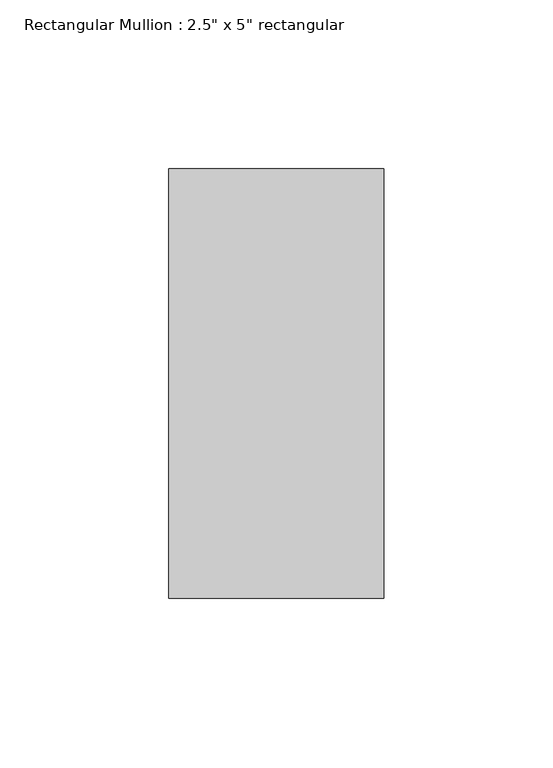
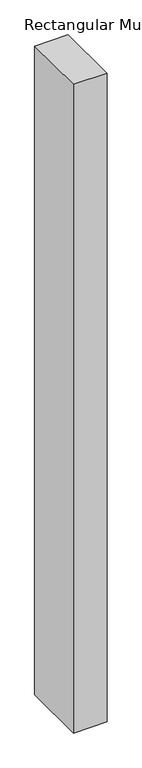
"""IFC4 building model written with IfcOpenShell, lengths in millimetres: member geometry."""

from ifc_helpers import new_model, si_unit, frame, origin, place, context, project, spatial, polyline, outline, extrude, source, transform, mapped, element, save


def member_62295a48(model_context):
    return source(origin(), model_context, "Body", "SweptSolid", [
        extrude(outline(polyline([(0.0, 63.5), (0.0, -63.5), (-63.5, -63.5), (-63.5, 63.5), (0.0, 63.5)])), frame((0.0, 0.0, -1298.1414157), z_axis=(0.0, 0.0, 1.0), x_axis=(1.0, 0.0, 0.0)), (0.0, 0.0, 1.0), 1298.1414157),
    ])


if __name__ == "__main__":
    model = new_model("IFC4")
    model_context = context("Model", 3, world=origin())
    ifc_project = project(units=[si_unit("LENGTHUNIT", "METRE", prefix="MILLI")], contexts=[model_context])
    site = spatial("IfcSite", under=ifc_project)
    building = spatial("IfcBuilding", under=site)
    placement = place(None, origin())
    member_shape = member_62295a48(model_context)
    element("IfcMember", 1, ObjectType="Rectangular Mullion : 2.5\" x 5\" rectangular", at=placement, inside=building, context=model_context, shape_type="MappedRepresentation", body=[
        mapped(member_shape, transform((0.0, 0.0, 0.0), x_axis=(1.0, 0.0, 0.0), y_axis=(0.0, 1.0, 0.0), z_axis=(0.0, 0.0, 1.0))),
    ])
    save(model, "model.ifc")
